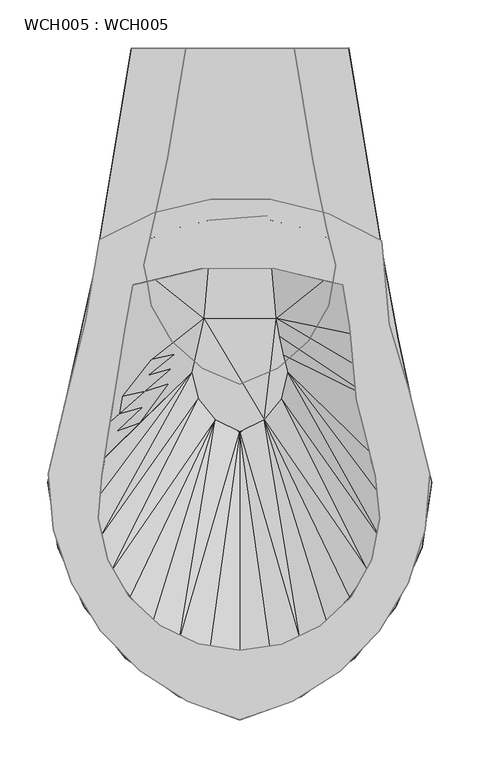
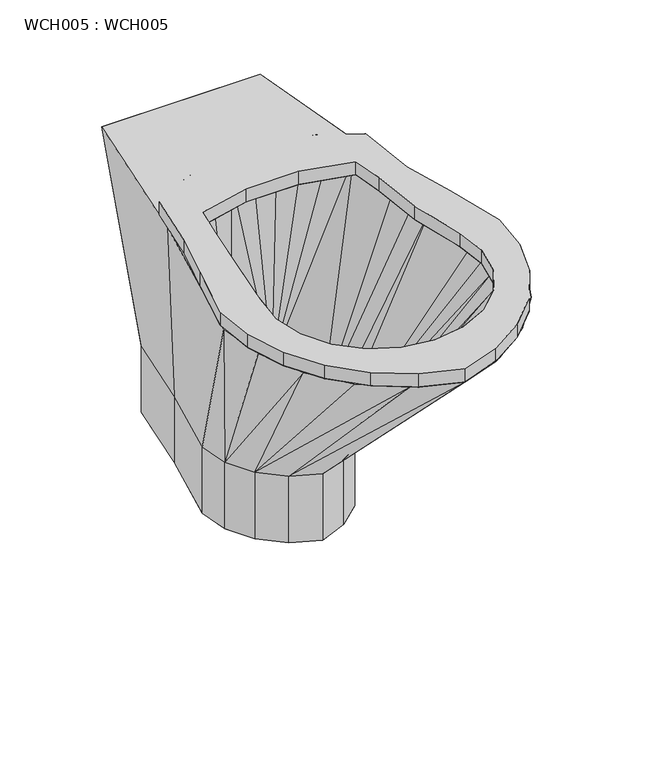
"""IFC4 building model written with IfcOpenShell, lengths in millimetres: proxy geometry, WCH005 : WCH005."""

from ifc_helpers import new_model, si_unit, origin, place, context, project, spatial, triangles, source, transform, mapped, element, save


def wch005_wch005_b197d804(model_context):
    return source(origin(), model_context, "Body", "Tessellation", [
        triangles([(-90.0833232, -199.8600004, 450.0000034), (-34.5133208, -171.8300071, 450.0000034), (-54.9533182, -246.8399998, 450.0000034), (17.1266799, -229.6199935, 450.0000034), (-80.0133165, -397.660009, 450.0000034), (-122.3033224, -355.6699848, 450.0000034), (-77.5033225, -381.480001, 450.0000034), (204.2066715, -200.6699982, 450.0000034), (212.0766853, -287.7200082, 450.0000034), (163.3466837, -246.5899969, 450.0000034), (170.6566845, -291.3400089, 450.0000034), (254.056681, -443.3399969, 450.0000034), (194.4266725, -433.9100129, 450.0000034), (191.5466884, -422.1100064, 450.0000034), (-87.463316, -445.7099831, 450.0000034), (-143.4433202, -443.4600114, 450.0000034), (-90.9733216, -489.7800039, 450.0000034), (-137.8833216, -501.6999885, 450.0000034), (-81.3033177, -532.9199942, 450.0000034), (-119.3733232, -557.1899881, 450.0000034), (-88.8533202, -607.0999867, 450.0000034), (-59.3133218, -571.2700153, 450.0000034), (-26.9733195, -601.4099997, 450.0000034), (-47.8933203, -648.8700025, 450.0000034), (1.4166799, -680.3600135, 450.0000034), (12.82668, -620.6399669, 450.0000034), (56.5366789, -627.2500285, 450.0000034), (56.5366789, -699.9500241, 450.0000034), (160.956677, -649.2399654, 450.0000034), (111.6966841, -680.6599952, 450.0000034), (100.2866793, -621.0900121, 450.0000034), (140.0966766, -601.9399819, 450.0000034), (231.7566796, -557.2500135, 450.0000034), (201.6966866, -607.3599999, 450.0000034), (193.5966723, -532.9400148, 450.0000034), (172.2066807, -571.6000097, 450.0000034), (202.2366791, -489.6199846, 450.0000034), (249.5266887, -501.5900025, 450.0000034), (185.7766736, -398.5099935, 450.0000034), (233.216674, -359.0199984, 450.0000034), (148.7866804, -172.3299947, 450.0000034), (91.2366775, -229.5299917, 450.0000034), (88.2966771, -157.6700066, 450.0000034), (26.0566808, -157.4999952, 450.0000034), (-104.7533217, -285.6900085, 450.0000034), (195.8666828, -439.8100162, 450.0000034), (197.3166851, -445.7099831, 450.0000034), (-76.2533171, -373.3900151, 450.0000034), (-75.6233183, -369.340008, 450.0000034), (-75.0033207, -365.299993, 450.0000034), (-62.7833181, -290.4399911, 450.0000034), (177.9166883, -366.3800142, 450.0000034), (-122.3033224, -355.6699848, 470.0000181), (-80.0133165, -397.660009, 470.0000181), (-75.0033207, -365.299993, 470.0000181), (254.056681, -443.3399969, 470.0000181), (233.216674, -359.0199984, 470.0000181), (185.7766736, -398.5099935, 470.0000181), (197.3166851, -445.7099831, 470.0000181), (1.4166799, -680.3600135, 470.0000181), (56.5366789, -699.9500241, 470.0000181), (56.5366789, -627.2500285, 470.0000181), (12.82668, -620.6399669, 470.0000181), (231.7566796, -557.2500135, 470.0000181), (249.5266887, -501.5900025, 470.0000181), (202.2366791, -489.6199846, 470.0000181), (193.5966723, -532.9400148, 470.0000181), (172.2066807, -571.6000097, 470.0000181), (201.6966866, -607.3599999, 470.0000181), (160.956677, -649.2399654, 470.0000181), (140.0966766, -601.9399819, 470.0000181), (100.2866793, -621.0900121, 470.0000181), (111.6966841, -680.6599952, 470.0000181), (-88.8533202, -607.0999867, 470.0000181), (-47.8933203, -648.8700025, 470.0000181), (-59.3133218, -571.2700153, 470.0000181), (-26.9733195, -601.4099997, 470.0000181), (-137.8833216, -501.6999885, 470.0000181), (-119.3733232, -557.1899881, 470.0000181), (-81.3033177, -532.9199942, 470.0000181), (-90.9733216, -489.7800039, 470.0000181), (-87.463316, -445.7099831, 470.0000181), (-143.4433202, -443.4600114, 470.0000181), (-62.7833181, -290.4399911, 470.0000181), (-104.7533217, -285.6900085, 470.0000181), (-90.0833232, -199.8600004, 470.0000181), (-54.9533182, -246.8399998, 470.0000181), (17.1266799, -229.6199935, 470.0000181), (-34.5133208, -171.8300071, 470.0000181), (88.2966771, -157.6700066, 470.0000181), (26.0566808, -157.4999952, 470.0000181), (91.2366775, -229.5299917, 470.0000181), (163.3466837, -246.5899969, 470.0000181), (148.7866804, -172.3299947, 470.0000181), (204.2066715, -200.6699982, 470.0000181), (170.6566845, -291.3400089, 470.0000181), (212.0766853, -287.7200082, 470.0000181), (-83.7433214, -421.6900103, 470.0000181), (-85.6033187, -433.6999967, 470.0000181), (-86.5333219, -439.7099859, 470.0000181), (181.846681, -382.4400078, 470.0000181), (179.8766886, -374.410011, 470.0000181), (178.8966793, -370.4000087, 470.0000181), (177.9166883, -366.3800142, 470.0000181), (-0.0033201, -0.02, 100.0000008), (-56.5433192, -0.04, 450.0000034), (-94.2833212, -227.390006, 450.0000034), (-18.87332, -113.6899967, 100.0000008), (-43.4633218, -226.2699981, 100.0000008), (-143.4633226, -452.5400168, 450.0000034), (-35.7433193, -268.2199993, 100.0000008), (-133.3333177, -520.1399966, 450.0000034), (-105.8233236, -582.7100146, 450.0000034), (-7.43332, -675.8900102, 450.0000034), (17.14668, -333.6400068, 100.0000008), (-14.7833205, -305.3600106, 100.0000008), (-62.853322, -635.8699966, 450.0000034), (56.5366789, -349.9799978, 100.0000008), (95.9366814, -333.6400068, 100.0000008), (120.5166763, -675.8900102, 450.0000034), (127.8666819, -305.3600106, 100.0000008), (175.9366856, -635.8699966, 450.0000034), (148.8266761, -268.2199993, 100.0000008), (218.9066827, -582.7100146, 450.0000034), (246.4166859, -520.1399966, 450.0000034), (156.5366888, -226.2699981, 100.0000008), (256.5366714, -452.5400168, 450.0000034), (221.2166797, -302.9500015, 450.0000034), (237.616678, -378.0399857, 450.0000034), (147.076683, -189.0200007, 100.0000008), (138.8766839, -151.4700035, 100.0000008), (207.3566791, -227.3500012, 450.0000034), (131.9466836, -113.6700033, 100.0000008), (113.0866792, 0.02, 100.0000008), (169.6266783, 0.05, 450.0000034), (177.1966741, -215.560005, 450.0000034), (149.6966812, -198.8499966, 450.0000034), (191.3266801, -338.7399862, 450.0000034), (196.6566781, -366.3800142, 450.0000034), (170.6566845, -572.2599984, 450.0000034), (189.8966801, -543.9399974, 450.0000034), (89.1466797, -633.2000287, 450.0000034), (119.576681, -617.5099981, 450.0000034), (-89.713324, -365.299993, 450.0000034), (-84.9833166, -337.6100043, 450.0000034), (-91.1133203, -512.8300141, 450.0000034), (-76.8233223, -543.9399974, 450.0000034), (-6.4933202, -617.5099981, 450.0000034), (-33.92332, -597.0100139, 450.0000034), (213.1666806, -479.7899886, 450.0000034), (216.5366783, -445.7099831, 450.0000034), (146.9966824, -597.0100139, 450.0000034), (56.5366789, -643.6400165, 450.0000034), (-64.1233208, -215.5899996, 450.0000034), (-78.3933209, -299.1000003, 450.0000034), (-103.4633205, -445.7099831, 450.0000034), (-100.0833215, -479.7899886, 450.0000034), (-57.5733208, -572.2599984, 450.0000034), (23.9366793, -633.2000287, 450.0000034), (204.1966794, -512.8300141, 450.0000034), (185.2166787, -300.0600071, 450.0000034), (119.9266778, -186.6099916, 450.0000034), (88.6166794, -179.15, 450.0000034), (56.5366789, -176.6500072, 450.0000034), (24.4466796, -179.1599921, 450.0000034), (-6.8533199, -186.629994, 450.0000034), (-36.623321, -198.869999, 450.0000034), (-35.5733192, -324.1099926, 300.0000023), (18.8266794, -281.5499996, 150.0000011), (28.2566805, -174.7200015, 150.0000011), (-95.4933218, -404.5499954, 447.0000049), (-98.8533184, -424.190003, 447.0000049), (-72.0033221, -399.2700125, 373.4999854), (-68.7233216, -381.0699969, 373.4999854), (-102.2233162, -443.8300106, 447.0000049), (-75.2733215, -417.4599996, 373.4999854), (-45.1433201, -374.3499856, 300.0000023), (-41.9533213, -357.5999906, 300.0000023), (-65.443321, -362.8800099, 373.4999854), (-38.763318, -340.8499955, 300.0000023), (-12.0833207, -318.8300097, 226.500001), (-8.9733202, -303.5299988, 226.500001), (-48.3333189, -391.0899885, 300.0000023), (-18.2833204, -349.4299951, 226.500001), (-15.1833199, -334.1299842, 226.500001), (14.6066802, -296.8100056, 152.9999997), (17.6166799, -282.9599971, 152.9999997), (-92.1233241, -384.8999957, 447.0000049), (-88.7633184, -365.2599881, 447.0000049), (8.5666799, -324.5100045, 152.9999997), (11.5866803, -310.6600142, 152.9999997), (6.5366797, -337.8400048, 150.0000011), (5.5566801, -338.3500028, 152.9999997), (-62.1633205, -344.6799943, 373.4999854), (-21.3933208, -364.7200138, 226.500001), (56.5366789, -399.6900087, 150.0000011), (30.9966795, -387.4100169, 150.0000011), (13.1866803, -365.3800026, 150.0000011), (106.5366793, -337.8400048, 150.0000011), (99.8766843, -365.3800026, 150.0000011), (82.0666795, -387.4100169, 150.0000011), (97.7066769, -300.4399985, 150.0000011), (101.806681, -319.2199931, 150.0000011), (94.2366761, -281.5400075, 150.0000011), (84.806683, -174.6900069, 150.0000011), (-18.87332, -113.6899967, 0.0), (-0.0033201, -0.02, 0.0), (-43.4633218, -226.2699981, 0.0), (-14.7833205, -305.3600106, 0.0), (-35.7433193, -268.2199993, 0.0), (56.5366789, -349.9799978, 0.0), (17.14668, -333.6400068, 0.0), (95.9366814, -333.6400068, 0.0), (127.8666819, -305.3600106, 0.0), (156.5366888, -226.2699981, 0.0), (148.8266761, -268.2199993, 0.0), (147.076683, -189.0200007, 0.0), (138.8766839, -151.4700035, 0.0), (131.9466836, -113.6700033, 0.0), (113.0866792, 0.02, 0.0), (93.8566757, -281.8400073, 151.0399994)], [[1, 2, 3], [2, 4, 3], [5, 6, 7], [8, 9, 10], [9, 11, 10], [12, 13, 14], [15, 16, 6], [15, 6, 5], [15, 17, 18], [15, 18, 16], [19, 20, 17], [20, 18, 17], [20, 19, 21], [19, 22, 21], [23, 24, 21], [23, 21, 22], [24, 23, 25], [23, 26, 25], [27, 28, 25], [27, 25, 26], [29, 30, 31], [29, 31, 32], [33, 34, 35], [34, 36, 35], [37, 38, 33], [37, 33, 35], [39, 40, 12], [39, 12, 14], [41, 8, 10], [10, 42, 43], [10, 43, 41], [4, 44, 43], [4, 43, 42], [45, 1, 3], [46, 13, 12], [47, 46, 12], [38, 37, 47], [38, 47, 12], [32, 36, 34], [32, 34, 29], [27, 31, 30], [27, 30, 28], [48, 7, 6], [49, 48, 6], [50, 49, 6], [51, 50, 6], [51, 6, 45], [51, 45, 3], [44, 4, 2], [52, 40, 39], [11, 9, 40], [11, 40, 52], [53, 54, 55], [56, 57, 58], [56, 58, 59], [60, 61, 62], [60, 62, 63], [64, 65, 66], [64, 66, 67], [68, 69, 64], [68, 64, 67], [69, 68, 70], [68, 71, 70], [72, 73, 70], [72, 70, 71], [74, 75, 76], [75, 77, 76], [78, 79, 80], [78, 80, 81], [82, 83, 78], [82, 78, 81], [84, 85, 53], [84, 53, 55], [86, 85, 87], [88, 89, 87], [89, 86, 87], [90, 91, 92], [91, 88, 92], [93, 94, 90], [93, 90, 92], [95, 94, 93], [96, 97, 93], [97, 95, 93], [89, 88, 91], [84, 87, 85], [83, 98, 54], [83, 54, 53], [99, 98, 83], [100, 99, 83], [82, 100, 83], [76, 80, 74], [80, 79, 74], [63, 77, 75], [63, 75, 60], [73, 72, 62], [73, 62, 61], [59, 66, 65], [59, 65, 56], [101, 58, 57], [102, 101, 57], [103, 102, 57], [104, 103, 57], [96, 104, 57], [96, 57, 97], [44, 2, 89], [44, 89, 91], [41, 43, 90], [41, 90, 94], [94, 95, 41], [95, 8, 41], [91, 90, 43], [91, 43, 44], [86, 89, 2], [86, 2, 1], [86, 1, 85], [1, 45, 85], [85, 45, 53], [45, 6, 53], [53, 6, 83], [6, 16, 83], [18, 20, 79], [18, 79, 78], [24, 25, 60], [24, 60, 75], [74, 21, 75], [21, 24, 75], [78, 83, 16], [78, 16, 18], [21, 74, 79], [21, 79, 20], [61, 60, 25], [61, 25, 28], [30, 29, 70], [30, 70, 73], [33, 38, 65], [33, 65, 64], [69, 34, 33], [69, 33, 64], [73, 61, 30], [61, 28, 30], [34, 69, 70], [34, 70, 29], [56, 65, 12], [65, 38, 12], [56, 12, 40], [56, 40, 57], [57, 40, 9], [57, 9, 97], [97, 9, 8], [97, 8, 95], [26, 23, 77], [26, 77, 63], [19, 17, 81], [19, 81, 80], [76, 22, 19], [76, 19, 80], [63, 62, 26], [62, 27, 26], [22, 76, 77], [22, 77, 23], [82, 81, 15], [81, 17, 15], [37, 35, 67], [37, 67, 66], [32, 31, 72], [32, 72, 71], [68, 36, 71], [36, 32, 71], [66, 59, 47], [66, 47, 37], [36, 68, 67], [36, 67, 35], [62, 72, 31], [62, 31, 27], [46, 47, 59], [13, 46, 59], [14, 13, 59], [52, 39, 58], [52, 58, 101], [103, 104, 52], [102, 103, 52], [102, 52, 101], [14, 58, 39], [58, 14, 59], [96, 11, 104], [11, 52, 104], [93, 10, 96], [10, 11, 96], [4, 42, 92], [4, 92, 88], [88, 87, 3], [88, 3, 4], [10, 93, 92], [10, 92, 42], [84, 51, 3], [84, 3, 87], [55, 50, 51], [55, 51, 84], [49, 50, 55], [48, 49, 55], [54, 7, 48], [54, 48, 55], [98, 5, 54], [15, 5, 98], [100, 82, 15], [99, 100, 15], [99, 15, 98], [7, 54, 5], [105, 106, 107], [105, 107, 108], [108, 109, 110], [108, 110, 107], [110, 109, 111], [110, 111, 112], [113, 112, 111], [114, 115, 116], [114, 116, 117], [115, 118, 28], [115, 28, 114], [113, 116, 117], [113, 116, 111], [28, 118, 119], [28, 119, 120], [121, 122, 120], [121, 120, 119], [123, 124, 121], [125, 124, 123], [123, 126, 127], [123, 127, 125], [122, 121, 124], [128, 129, 126], [128, 126, 130], [131, 128, 132], [131, 132, 133], [131, 128, 130], [127, 126, 129], [134, 133, 132], [134, 132, 135], [105, 134, 135], [105, 135, 106], [135, 136, 137], [129, 128, 138], [129, 138, 139], [140, 124, 141], [142, 120, 143], [110, 144, 145], [112, 113, 146], [113, 147, 146], [117, 114, 148], [117, 148, 149], [135, 132, 136], [150, 127, 151], [125, 127, 150], [152, 122, 124], [152, 124, 140], [153, 28, 120], [153, 120, 142], [107, 110, 145], [107, 106, 154], [155, 154, 107], [155, 107, 145], [156, 144, 110], [157, 156, 110], [112, 157, 110], [157, 112, 146], [158, 147, 113], [149, 158, 117], [158, 113, 117], [159, 148, 114], [153, 159, 114], [153, 114, 28], [122, 152, 143], [122, 143, 120], [125, 160, 124], [160, 141, 124], [160, 125, 150], [139, 151, 127], [139, 127, 129], [161, 138, 128], [136, 132, 128], [136, 128, 161], [137, 162, 135], [162, 163, 135], [106, 135, 163], [106, 163, 164], [164, 165, 106], [165, 166, 106], [166, 167, 106], [106, 167, 154], [168, 169, 145], [168, 145, 144], [155, 145, 169], [169, 170, 154], [169, 154, 155], [171, 172, 173], [171, 173, 174], [175, 176, 173], [175, 173, 172], [177, 178, 174], [177, 174, 173], [179, 174, 178], [179, 178, 180], [168, 179, 180], [181, 182, 168], [181, 168, 180], [173, 176, 183], [173, 183, 177], [184, 185, 178], [184, 178, 177], [180, 178, 185], [180, 185, 181], [186, 187, 182], [186, 182, 181], [171, 188, 144], [174, 179, 188], [174, 188, 171], [189, 144, 188], [184, 190, 191], [184, 191, 185], [190, 192, 191], [184, 177, 183], [193, 192, 190], [181, 185, 191], [181, 191, 186], [179, 168, 144], [179, 144, 194], [189, 188, 179], [189, 179, 194], [194, 144, 189], [169, 186, 191], [169, 187, 186], [169, 182, 187], [169, 168, 182], [156, 172, 171], [156, 175, 172], [156, 176, 175], [156, 183, 176], [184, 183, 192], [193, 190, 184], [195, 192, 193], [192, 183, 156], [156, 171, 144], [169, 191, 192], [148, 159, 196], [148, 196, 197], [149, 148, 197], [158, 149, 197], [197, 198, 147], [197, 147, 158], [146, 147, 198], [192, 157, 146], [192, 146, 198], [192, 156, 157], [153, 196, 159], [160, 150, 199], [160, 199, 200], [141, 160, 200], [201, 140, 141], [201, 141, 200], [152, 140, 201], [143, 152, 201], [196, 142, 143], [196, 143, 201], [196, 153, 142], [151, 199, 150], [139, 202, 203], [139, 203, 151], [199, 151, 203], [138, 204, 202], [138, 202, 139], [136, 205, 204], [136, 204, 161], [138, 161, 204], [154, 167, 170], [167, 166, 170], [166, 165, 170], [205, 170, 165], [205, 165, 164], [164, 163, 205], [163, 162, 205], [162, 137, 205], [137, 136, 205], [169, 196, 201], [202, 204, 201], [203, 202, 201], [200, 199, 203], [200, 203, 201], [197, 196, 169], [198, 197, 169], [192, 198, 169], [205, 170, 204], [170, 169, 204], [206, 207, 105], [206, 105, 108], [208, 206, 108], [208, 108, 109], [116, 209, 210], [116, 210, 111], [118, 211, 212], [118, 212, 115], [209, 116, 115], [209, 115, 212], [208, 109, 111], [208, 111, 210], [213, 119, 121], [213, 121, 214], [126, 215, 216], [126, 216, 123], [214, 121, 123], [214, 123, 216], [211, 118, 119], [211, 119, 213], [217, 218, 131], [217, 131, 130], [219, 218, 131], [219, 131, 133], [126, 130, 217], [126, 217, 215], [220, 219, 133], [220, 133, 134], [207, 220, 134], [207, 134, 105], [209, 206, 210], [206, 208, 210], [209, 212, 206], [212, 211, 206], [211, 213, 206], [206, 218, 219], [217, 218, 206], [217, 206, 213], [213, 214, 217], [214, 216, 217], [216, 215, 217], [220, 207, 206], [220, 206, 219], [221, 169, 201]], closed=False),
    ])


if __name__ == "__main__":
    model = new_model("IFC4")
    model_context = context("Model", 3, world=origin())
    ifc_project = project(units=[si_unit("LENGTHUNIT", "METRE", prefix="MILLI")], contexts=[model_context])
    site = spatial("IfcSite", under=ifc_project)
    building = spatial("IfcBuilding", under=site)
    placement = place(None, origin())
    wch005_wch005_shape = wch005_wch005_b197d804(model_context)
    element("IfcBuildingElementProxy", 1, Name="WCH005 : WCH005", ObjectType="WCH005 : WCH005", at=placement, inside=building, context=model_context, shape_type="MappedRepresentation", body=[
        mapped(wch005_wch005_shape, transform((0.0, 0.0, 0.0), x_axis=(1.0, 0.0, 0.0), y_axis=(0.0, 1.0, 0.0), z_axis=(0.0, 0.0, 1.0))),
    ])
    save(model, "model.ifc")
